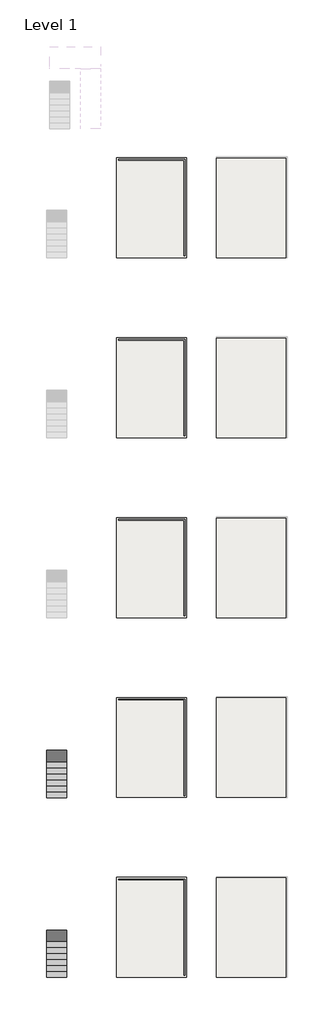
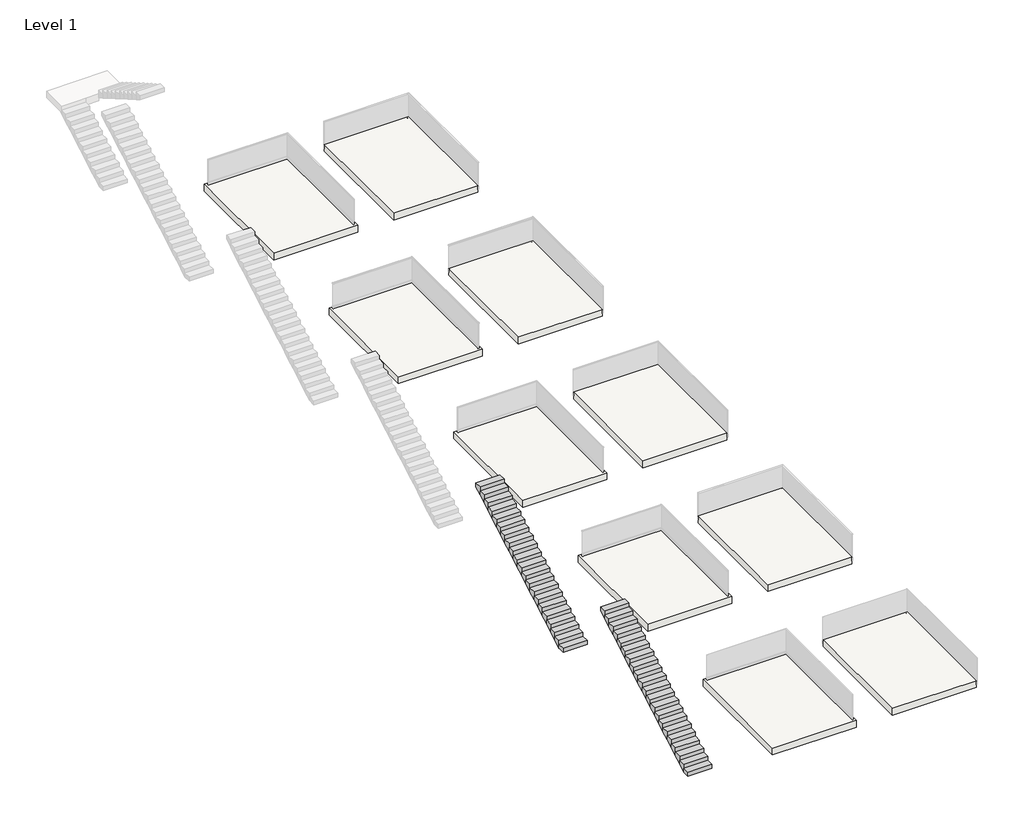
# One storey, part 1 of 11: 10 slabs, 2 stair flights.
"""IFC4 building model written with IfcOpenShell, lengths in millimetres."""

import ifcopenshell
import ifcopenshell.guid

model = None  # the IFC model being written
_history = None  # IfcOwnerHistory: only IFC2X3 demands one
_inside = {}  # id of a spatial element -> (the spatial element, [elements in it])
_under = {}  # id of a project, library or spatial element -> (it, [spatial elements below it])
_declared = {}  # id of a project -> (the project, [libraries it declares])
_typed = {}  # id of a type object -> (the type object, [elements of that type])
_made_of = {}  # id of a material, layer set ... -> (it, [elements and type objects made of it])


def new_model(schema):
    """Start an empty IFC model of exactly this schema.

    Asked for "IFC4X3", IfcOpenShell would pick the latest addendum, in which some entities
    have other attributes; the version numbers below select the first issue.
    IFC2X3 requires an IfcOwnerHistory on every rooted entity: one is made here for all.
    """
    global model, _history
    if schema == "IFC4X3":
        model = ifcopenshell.file(schema_version=(4, 3, 0, 0))
    else:
        model = ifcopenshell.file(schema=schema)
    _inside.clear()
    _under.clear()
    _declared.clear()
    _typed.clear()
    _made_of.clear()
    _history = None
    if model.schema == "IFC2X3":
        org = make("IfcOrganization", Name="unknown")
        user = make(
            "IfcPersonAndOrganization",
            ThePerson=make("IfcPerson", FamilyName="unknown"),
            TheOrganization=org,
        )
        app = make(
            "IfcApplication",
            ApplicationDeveloper=org,
            Version="unknown",
            ApplicationFullName="unknown",
            ApplicationIdentifier="unknown",
        )
        _history = make(
            "IfcOwnerHistory",
            OwningUser=user,
            OwningApplication=app,
            ChangeAction="ADDED",
            CreationDate=0,
        )
    return model


def make(cls, **values):
    """One entity of the class cls with the attributes given. An attribute that is None is left unset."""
    return model.create_entity(
        cls, **{name: value for name, value in values.items() if value is not None}
    )


def rooted(cls, **values):
    """An entity with a GlobalId (a new one), such as an element, a storey or a relation."""
    return make(cls, GlobalId=ifcopenshell.guid.new(), OwnerHistory=_history, **values)


def si_unit(unit_type, name, prefix=None):
    """IfcSIUnit, for example si_unit("LENGTHUNIT", "METRE", prefix="MILLI")."""
    return make("IfcSIUnit", UnitType=unit_type, Prefix=prefix, Name=name)


def assignment(units):
    """IfcUnitAssignment: the units of a project."""
    return None if units is None else make("IfcUnitAssignment", Units=units)


def point(xyz):
    """IfcCartesianPoint."""
    return None if xyz is None else make("IfcCartesianPoint", Coordinates=xyz)


def direction(xyz):
    """IfcDirection."""
    return None if xyz is None else make("IfcDirection", DirectionRatios=xyz)


def frame(location, z_axis=None, x_axis=None):
    """IfcAxis2Placement3D, a coordinate frame: its origin and axes. An axis left out is left unset."""
    return make(
        "IfcAxis2Placement3D",
        Location=point(location),
        Axis=direction(z_axis),
        RefDirection=direction(x_axis),
    )


def origin():
    """The frame at (0, 0, 0) with its axes left unset."""
    return frame((0.0, 0.0, 0.0))


def place(relative_to, where):
    """IfcLocalPlacement: puts the frame where relative to a parent placement (None: the world)."""
    return make(
        "IfcLocalPlacement", PlacementRelTo=relative_to, RelativePlacement=where
    )


def context(
    kind, dimensions, precision=None, world=None, true_north=None, identifier=None
):
    """IfcGeometricRepresentationContext, for example the 3D "Model" context."""
    return make(
        "IfcGeometricRepresentationContext",
        ContextIdentifier=identifier,
        ContextType=kind,
        CoordinateSpaceDimension=dimensions,
        Precision=precision,
        WorldCoordinateSystem=world,
        TrueNorth=true_north,
    )


def project(units=None, contexts=None):
    """IfcProject with its units and contexts."""
    return rooted(
        "IfcProject",
        Name="project",
        RepresentationContexts=contexts,
        UnitsInContext=assignment(units),
    )


def spatial(cls, under=None, at=None, **own):
    """A site, building, storey or space (cls), placed at a placement, below another one or the project."""
    s = rooted(cls, ObjectPlacement=at, **own)
    if under is not None:
        _under.setdefault(under.id(), (under, []))[1].append(s)
    return s


def polyline(points):
    """IfcPolyline through the points."""
    return make("IfcPolyline", Points=[point(p) for p in points])


def outline(outer, holes=None, kind="AREA"):
    """IfcArbitraryClosedProfileDef: a profile drawn as a closed curve; with holes, ...WithVoids."""
    if holes is None:
        return make("IfcArbitraryClosedProfileDef", ProfileType=kind, OuterCurve=outer)
    return make(
        "IfcArbitraryProfileDefWithVoids",
        ProfileType=kind,
        OuterCurve=outer,
        InnerCurves=holes,
    )


def extrude(swept, where, along, depth):
    """IfcExtrudedAreaSolid: the profile swept, set in the frame where, extruded along a direction by depth."""
    return make(
        "IfcExtrudedAreaSolid",
        SweptArea=swept,
        Position=where,
        ExtrudedDirection=direction(along),
        Depth=depth,
    )


def faces_of(points, faces, orient=None, outer=None):
    """IfcFace entities. A face is a list of loops; a loop is a list of indices into points, from 0.

    orient and outer hold one flag for each loop. By default every Orientation is true, the
    first loop of a face is its IfcFaceOuterBound and the others are IfcFaceBound.
    """
    made = []
    for i, loops in enumerate(faces):
        bounds = []
        for j, loop in enumerate(loops):
            is_outer = j == 0 if outer is None else outer[i][j]
            bounds.append(
                make(
                    "IfcFaceOuterBound" if is_outer else "IfcFaceBound",
                    Bound=make("IfcPolyLoop", Polygon=[points[k] for k in loop]),
                    Orientation=True if orient is None else orient[i][j],
                )
            )
        made.append(make("IfcFace", Bounds=bounds))
    return made


def faceted_brep(points, faces, orient=None, outer=None, voids=None):
    """IfcFacetedBrep: a solid bounded by flat faces; with voids (closed shells), ...WithVoids."""
    shared = [point(p) for p in points]
    hull = make("IfcClosedShell", CfsFaces=faces_of(shared, faces, orient, outer))
    if voids is None:
        return make("IfcFacetedBrep", Outer=hull)
    return make(
        "IfcFacetedBrepWithVoids",
        Outer=hull,
        Voids=[
            make(cls, CfsFaces=faces_of(shared, fs, o, b)) for cls, fs, o, b in voids
        ],
    )


def shape(context_of_items, identifier, shape_type, items):
    """IfcShapeRepresentation: the items that make up one representation, for example the "Body"."""
    return make(
        "IfcShapeRepresentation",
        ContextOfItems=context_of_items,
        RepresentationIdentifier=identifier,
        RepresentationType=shape_type,
        Items=items,
    )


def made_of(thing, what):
    """Note that an element or type object is made of a material, layer set ...; save() writes the relation."""
    if what is not None:
        _made_of.setdefault(what.id(), (what, []))[1].append(thing)
    return thing


def element(
    cls,
    number,
    at=None,
    inside=None,
    cuts=None,
    type_object=None,
    material=None,
    context=None,
    identifier="Body",
    shape_type=None,
    held_by="IfcProductDefinitionShape",
    body=None,
    shapes=None,
    **own,
):
    """One element of the class cls, such as IfcWall. Its Tag is "e" and its number.

    at: its placement. inside: the storey or other place that contains it. cuts: it is an
    opening in that element (IfcRelVoidsElement). A single representation is given by context,
    identifier, shape_type and body (its items); several are given by shapes. held_by: the class
    of the entity that holds the representations. save() writes the other relations.
    """
    e = rooted(cls, Tag="e%d" % number, ObjectPlacement=at, **own)
    if body is not None:
        shapes = [shape(context, identifier, shape_type, body)]
    if shapes is not None:
        e.Representation = make(held_by, Representations=shapes)
    if inside is not None:
        _inside.setdefault(inside.id(), (inside, []))[1].append(e)
    if cuts is not None:
        rooted(
            "IfcRelVoidsElement", RelatingBuildingElement=cuts, RelatedOpeningElement=e
        )
    if type_object is not None:
        _typed.setdefault(type_object.id(), (type_object, []))[1].append(e)
    return made_of(e, material)


def aggregate(whole, parts):
    """IfcRelAggregates: a whole, such as a stair, and the parts it consists of."""
    return rooted("IfcRelAggregates", RelatingObject=whole, RelatedObjects=parts)


def save(model, path):
    """Write the relations noted so far, then the file.

    IfcRelAggregates (storeys below a building ...), IfcRelContainedInSpatialStructure (elements
    in a storey), IfcRelDefinesByType, IfcRelAssociatesMaterial and IfcRelDeclares: one each for
    every whole, place, type object, material and project.
    """
    for whole, parts in _under.values():
        aggregate(whole, parts)
    for where, things in _inside.values():
        rooted(
            "IfcRelContainedInSpatialStructure",
            RelatedElements=things,
            RelatingStructure=where,
        )
    for kind, things in _typed.values():
        rooted("IfcRelDefinesByType", RelatedObjects=things, RelatingType=kind)
    for what, things in _made_of.values():
        rooted("IfcRelAssociatesMaterial", RelatedObjects=things, RelatingMaterial=what)
    for by, libraries in _declared.values():
        rooted("IfcRelDeclares", RelatingContext=by, RelatedDefinitions=libraries)
    model.write(path)


model = new_model("IFC4")

# Units and contexts
model_context = context("Model", 3, world=origin())
ifc_project = project(units=[si_unit("LENGTHUNIT", "METRE", prefix="MILLI")], contexts=[model_context])

# Site, building, storey
site = spatial("IfcSite", under=ifc_project)
building = spatial("IfcBuilding", under=site)
storey = spatial("IfcBuildingStorey", under=building, Name="Level 1", Elevation=0.0)

# Slabs
placement = place(None, origin())
element("IfcSlab", 1, ObjectType="Generico 300 mm", at=placement, inside=storey, context=model_context, shape_type="SweptSolid", body=[
    extrude(outline(polyline([(-13667.5524845, -26863.3362173), (-10167.5524845, -26863.3362173), (-10167.5524845, -31863.3362173), (-13667.5524845, -31863.3362173), (-13667.5524845, -26863.3362173)])), frame((0.0, 0.0, -300.0), z_axis=(0.0, 0.0, 1.0), x_axis=(1.0, 0.0, 0.0)), (0.0, 0.0, 1.0), 300.0),
])
element("IfcSlab", 2, ObjectType="Generico 300 mm", at=placement, inside=storey, context=model_context, shape_type="SweptSolid", body=[
    extrude(outline(polyline([(-8667.5524845, -26863.3362173), (-5167.5524845, -26863.3362173), (-5167.5524845, -31863.3362173), (-8667.5524845, -31863.3362173), (-8667.5524845, -26863.3362173)])), frame((0.0, 0.0, -300.0), z_axis=(0.0, 0.0, 1.0), x_axis=(1.0, 0.0, 0.0)), (0.0, 0.0, 1.0), 300.0),
])
element("IfcSlab", 3, ObjectType="Generico 300 mm", at=placement, inside=storey, context=model_context, shape_type="SweptSolid", body=[
    extrude(outline(polyline([(-13667.5524845, -35863.3362173), (-10167.5524845, -35863.3362173), (-10167.5524845, -40863.3362173), (-13667.5524845, -40863.3362173), (-13667.5524845, -35863.3362173)])), frame((0.0, 0.0, -300.0), z_axis=(0.0, 0.0, 1.0), x_axis=(1.0, 0.0, 0.0)), (0.0, 0.0, 1.0), 300.0),
])
element("IfcSlab", 4, ObjectType="Generico 300 mm", at=placement, inside=storey, context=model_context, shape_type="SweptSolid", body=[
    extrude(outline(polyline([(-13667.5524845, -44863.3362173), (-10167.5524845, -44863.3362173), (-10167.5524845, -49863.3362173), (-13667.5524845, -49863.3362173), (-13667.5524845, -44863.3362173)])), frame((0.0, 0.0, -300.0), z_axis=(0.0, 0.0, 1.0), x_axis=(1.0, 0.0, 0.0)), (0.0, 0.0, 1.0), 300.0),
])
element("IfcSlab", 5, ObjectType="Generico 300 mm", at=placement, inside=storey, context=model_context, shape_type="SweptSolid", body=[
    extrude(outline(polyline([(-13667.5524845, -53863.3362173), (-10167.5524845, -53863.3362173), (-10167.5524845, -58863.3362173), (-13667.5524845, -58863.3362173), (-13667.5524845, -53863.3362173)])), frame((0.0, 0.0, -300.0), z_axis=(0.0, 0.0, 1.0), x_axis=(1.0, 0.0, 0.0)), (0.0, 0.0, 1.0), 300.0),
])
element("IfcSlab", 6, ObjectType="Generico 300 mm", at=placement, inside=storey, context=model_context, shape_type="SweptSolid", body=[
    extrude(outline(polyline([(-13667.5524845, -62863.3362173), (-10167.5524845, -62863.3362173), (-10167.5524845, -67863.3362173), (-13667.5524845, -67863.3362173), (-13667.5524845, -62863.3362173)])), frame((0.0, 0.0, -300.0), z_axis=(0.0, 0.0, 1.0), x_axis=(1.0, 0.0, 0.0)), (0.0, 0.0, 1.0), 300.0),
])
element("IfcSlab", 7, ObjectType="Generico 300 mm", at=placement, inside=storey, context=model_context, shape_type="SweptSolid", body=[
    extrude(outline(polyline([(-8667.5524845, -35863.3362173), (-5167.5524845, -35863.3362173), (-5167.5524845, -40863.3362173), (-8667.5524845, -40863.3362173), (-8667.5524845, -35863.3362173)])), frame((0.0, 0.0, -300.0), z_axis=(0.0, 0.0, 1.0), x_axis=(1.0, 0.0, 0.0)), (0.0, 0.0, 1.0), 300.0),
])
element("IfcSlab", 8, ObjectType="Generico 300 mm", at=placement, inside=storey, context=model_context, shape_type="SweptSolid", body=[
    extrude(outline(polyline([(-8667.5524845, -44863.3362173), (-5167.5524845, -44863.3362173), (-5167.5524845, -49863.3362173), (-8667.5524845, -49863.3362173), (-8667.5524845, -44863.3362173)])), frame((0.0, 0.0, -300.0), z_axis=(0.0, 0.0, 1.0), x_axis=(1.0, 0.0, 0.0)), (0.0, 0.0, 1.0), 300.0),
])
element("IfcSlab", 9, ObjectType="Generico 300 mm", at=placement, inside=storey, context=model_context, shape_type="SweptSolid", body=[
    extrude(outline(polyline([(-8667.5524845, -53863.3362173), (-5167.5524845, -53863.3362173), (-5167.5524845, -58863.3362173), (-8667.5524845, -58863.3362173), (-8667.5524845, -53863.3362173)])), frame((0.0, 0.0, -300.0), z_axis=(0.0, 0.0, 1.0), x_axis=(1.0, 0.0, 0.0)), (0.0, 0.0, 1.0), 300.0),
])
element("IfcSlab", 10, ObjectType="Generico 300 mm", at=placement, inside=storey, context=model_context, shape_type="SweptSolid", body=[
    extrude(outline(polyline([(-8667.5524845, -62863.3362173), (-5167.5524845, -62863.3362173), (-5167.5524845, -67863.3362173), (-8667.5524845, -67863.3362173), (-8667.5524845, -62863.3362173)])), frame((0.0, 0.0, -300.0), z_axis=(0.0, 0.0, 1.0), x_axis=(1.0, 0.0, 0.0)), (0.0, 0.0, 1.0), 300.0),
])

# Stair flights
element("IfcStairFlight", 11, at=placement, inside=storey, context=model_context, shape_type="Brep", body=[
    faceted_brep([(-17189.3694741, -58563.9305034, 173.9130435), (-17189.3694741, -58863.9305034, 173.9130435), (-16189.3694741, -58863.9305034, 173.9130435), (-16189.3694741, -58563.9305034, 173.9130435), (-17189.3694741, -58563.9305034, 0.530701), (-17189.3694741, -58564.8459626, 0.0), (-17189.3694741, -58863.9305034, 0.0), (-16189.3694741, -58863.9305034, 0.0), (-16189.3694741, -58564.8459626, 0.0), (-16189.3694741, -58563.9305034, 0.530701), (-17189.3694741, -58263.9305034, 347.826087), (-17189.3694741, -58563.9305034, 347.826087), (-16189.3694741, -58563.9305034, 347.826087), (-16189.3694741, -58263.9305034, 347.826087), (-17189.3694741, -58263.9305034, 174.4437445), (-16189.3694741, -58263.9305034, 174.4437445), (-17189.3694741, -57963.9305034, 521.7391304), (-17189.3694741, -58263.9305034, 521.7391304), (-16189.3694741, -58263.9305034, 521.7391304), (-16189.3694741, -57963.9305034, 521.7391304), (-17189.3694741, -57963.9305034, 348.356788), (-16189.3694741, -57963.9305034, 348.356788), (-17189.3694741, -57663.9305034, 695.6521739), (-17189.3694741, -57963.9305034, 695.6521739), (-16189.3694741, -57963.9305034, 695.6521739), (-16189.3694741, -57663.9305034, 695.6521739), (-17189.3694741, -57663.9305034, 522.2698315), (-16189.3694741, -57663.9305034, 522.2698315), (-17189.3694741, -57363.9305034, 869.5652174), (-17189.3694741, -57663.9305034, 869.5652174), (-16189.3694741, -57663.9305034, 869.5652174), (-16189.3694741, -57363.9305034, 869.5652174), (-17189.3694741, -57363.9305034, 696.1828749), (-16189.3694741, -57363.9305034, 696.1828749), (-17189.3694741, -57063.9305034, 1043.4782609), (-17189.3694741, -57363.9305034, 1043.4782609), (-16189.3694741, -57363.9305034, 1043.4782609), (-16189.3694741, -57063.9305034, 1043.4782609), (-17189.3694741, -57063.9305034, 870.0959184), (-16189.3694741, -57063.9305034, 870.0959184), (-17189.3694741, -56763.9305034, 1217.3913043), (-17189.3694741, -57063.9305034, 1217.3913043), (-16189.3694741, -57063.9305034, 1217.3913043), (-16189.3694741, -56763.9305034, 1217.3913043), (-17189.3694741, -56763.9305034, 1044.0089619), (-16189.3694741, -56763.9305034, 1044.0089619), (-17189.3694741, -56463.9305034, 1391.3043478), (-17189.3694741, -56763.9305034, 1391.3043478), (-16189.3694741, -56763.9305034, 1391.3043478), (-16189.3694741, -56463.9305034, 1391.3043478), (-17189.3694741, -56463.9305034, 1217.9220054), (-16189.3694741, -56463.9305034, 1217.9220054), (-17189.3694741, -56163.9305034, 1565.2173913), (-17189.3694741, -56463.9305034, 1565.2173913), (-16189.3694741, -56463.9305034, 1565.2173913), (-16189.3694741, -56163.9305034, 1565.2173913), (-17189.3694741, -56163.9305034, 1391.8350489), (-16189.3694741, -56163.9305034, 1391.8350489), (-17189.3694741, -55863.9305034, 1739.1304348), (-17189.3694741, -56163.9305034, 1739.1304348), (-16189.3694741, -56163.9305034, 1739.1304348), (-16189.3694741, -55863.9305034, 1739.1304348), (-17189.3694741, -55863.9305034, 1565.7480923), (-16189.3694741, -55863.9305034, 1565.7480923), (-17189.3694741, -55563.9305034, 1913.0434783), (-17189.3694741, -55863.9305034, 1913.0434783), (-16189.3694741, -55863.9305034, 1913.0434783), (-16189.3694741, -55563.9305034, 1913.0434783), (-17189.3694741, -55563.9305034, 1739.6611358), (-16189.3694741, -55563.9305034, 1739.6611358), (-17189.3694741, -55263.9305034, 2086.9565217), (-17189.3694741, -55563.9305034, 2086.9565217), (-16189.3694741, -55563.9305034, 2086.9565217), (-16189.3694741, -55263.9305034, 2086.9565217), (-17189.3694741, -55263.9305034, 1913.5741793), (-16189.3694741, -55263.9305034, 1913.5741793), (-17189.3694741, -54963.9305034, 2260.8695652), (-17189.3694741, -55263.9305034, 2260.8695652), (-16189.3694741, -55263.9305034, 2260.8695652), (-16189.3694741, -54963.9305034, 2260.8695652), (-17189.3694741, -54963.9305034, 2087.4872228), (-16189.3694741, -54963.9305034, 2087.4872228), (-17189.3694741, -54663.9305034, 2434.7826087), (-17189.3694741, -54963.9305034, 2434.7826087), (-16189.3694741, -54963.9305034, 2434.7826087), (-16189.3694741, -54663.9305034, 2434.7826087), (-17189.3694741, -54663.9305034, 2261.4002662), (-16189.3694741, -54663.9305034, 2261.4002662), (-17189.3694741, -54363.9305034, 2608.6956522), (-17189.3694741, -54663.9305034, 2608.6956522), (-16189.3694741, -54663.9305034, 2608.6956522), (-16189.3694741, -54363.9305034, 2608.6956522), (-17189.3694741, -54363.9305034, 2435.3133097), (-16189.3694741, -54363.9305034, 2435.3133097), (-17189.3694741, -54063.9305034, 2782.6086957), (-17189.3694741, -54363.9305034, 2782.6086957), (-16189.3694741, -54363.9305034, 2782.6086957), (-16189.3694741, -54063.9305034, 2782.6086957), (-17189.3694741, -54063.9305034, 2609.2263532), (-16189.3694741, -54063.9305034, 2609.2263532), (-17189.3694741, -53763.9305034, 2956.5217391), (-17189.3694741, -54063.9305034, 2956.5217391), (-16189.3694741, -54063.9305034, 2956.5217391), (-16189.3694741, -53763.9305034, 2956.5217391), (-17189.3694741, -53763.9305034, 2783.1393967), (-16189.3694741, -53763.9305034, 2783.1393967), (-17189.3694741, -53463.9305034, 3130.4347826), (-17189.3694741, -53763.9305034, 3130.4347826), (-16189.3694741, -53763.9305034, 3130.4347826), (-16189.3694741, -53463.9305034, 3130.4347826), (-17189.3694741, -53463.9305034, 2957.0524402), (-16189.3694741, -53463.9305034, 2957.0524402), (-17189.3694741, -53163.9305034, 3304.3478261), (-17189.3694741, -53463.9305034, 3304.3478261), (-16189.3694741, -53463.9305034, 3304.3478261), (-16189.3694741, -53163.9305034, 3304.3478261), (-17189.3694741, -53163.9305034, 3130.9654836), (-16189.3694741, -53163.9305034, 3130.9654836), (-17189.3694741, -52863.9305034, 3478.2608696), (-17189.3694741, -53163.9305034, 3478.2608696), (-16189.3694741, -53163.9305034, 3478.2608696), (-16189.3694741, -52863.9305034, 3478.2608696), (-17189.3694741, -52863.9305034, 3304.8785271), (-16189.3694741, -52863.9305034, 3304.8785271), (-17189.3694741, -52563.9305034, 3652.173913), (-17189.3694741, -52863.9305034, 3652.173913), (-16189.3694741, -52863.9305034, 3652.173913), (-16189.3694741, -52563.9305034, 3652.173913), (-17189.3694741, -52563.9305034, 3478.7915706), (-16189.3694741, -52563.9305034, 3478.7915706)], [[[0, 1, 2, 3]], [[1, 0, 4, 5, 6]], [[2, 1, 6, 7]], [[3, 2, 7, 8, 9]], [[10, 11, 12, 13]], [[11, 10, 14, 4, 0]], [[0, 3, 12, 11]], [[13, 12, 3, 9, 15]], [[16, 17, 18, 19]], [[17, 16, 20, 14, 10]], [[10, 13, 18, 17]], [[19, 18, 13, 15, 21]], [[22, 23, 24, 25]], [[23, 22, 26, 20, 16]], [[16, 19, 24, 23]], [[25, 24, 19, 21, 27]], [[28, 29, 30, 31]], [[29, 28, 32, 26, 22]], [[22, 25, 30, 29]], [[31, 30, 25, 27, 33]], [[34, 35, 36, 37]], [[35, 34, 38, 32, 28]], [[28, 31, 36, 35]], [[37, 36, 31, 33, 39]], [[40, 41, 42, 43]], [[41, 40, 44, 38, 34]], [[34, 37, 42, 41]], [[43, 42, 37, 39, 45]], [[46, 47, 48, 49]], [[47, 46, 50, 44, 40]], [[40, 43, 48, 47]], [[49, 48, 43, 45, 51]], [[52, 53, 54, 55]], [[53, 52, 56, 50, 46]], [[46, 49, 54, 53]], [[55, 54, 49, 51, 57]], [[58, 59, 60, 61]], [[59, 58, 62, 56, 52]], [[52, 55, 60, 59]], [[61, 60, 55, 57, 63]], [[64, 65, 66, 67]], [[65, 64, 68, 62, 58]], [[58, 61, 66, 65]], [[67, 66, 61, 63, 69]], [[70, 71, 72, 73]], [[71, 70, 74, 68, 64]], [[64, 67, 72, 71]], [[73, 72, 67, 69, 75]], [[76, 77, 78, 79]], [[77, 76, 80, 74, 70]], [[70, 73, 78, 77]], [[79, 78, 73, 75, 81]], [[82, 83, 84, 85]], [[83, 82, 86, 80, 76]], [[76, 79, 84, 83]], [[85, 84, 79, 81, 87]], [[88, 89, 90, 91]], [[89, 88, 92, 86, 82]], [[82, 85, 90, 89]], [[91, 90, 85, 87, 93]], [[94, 95, 96, 97]], [[95, 94, 98, 92, 88]], [[88, 91, 96, 95]], [[97, 96, 91, 93, 99]], [[100, 101, 102, 103]], [[101, 100, 104, 98, 94]], [[94, 97, 102, 101]], [[103, 102, 97, 99, 105]], [[106, 107, 108, 109]], [[107, 106, 110, 104, 100]], [[100, 103, 108, 107]], [[109, 108, 103, 105, 111]], [[112, 113, 114, 115]], [[113, 112, 116, 110, 106]], [[106, 109, 114, 113]], [[115, 114, 109, 111, 117]], [[118, 119, 120, 121]], [[119, 118, 122, 116, 112]], [[112, 115, 120, 119]], [[121, 120, 115, 117, 123]], [[124, 125, 126, 127]], [[125, 124, 128, 122, 118]], [[118, 121, 126, 125]], [[127, 126, 121, 123, 129]], [[124, 127, 129, 128]], [[7, 6, 5, 8]], [[8, 5, 4, 14, 20, 26, 32, 38, 44, 50, 56, 62, 68, 74, 80, 86, 92, 98, 104, 110, 116, 122, 128, 129, 123, 117, 111, 105, 99, 93, 87, 81, 75, 69, 63, 57, 51, 45, 39, 33, 27, 21, 15, 9]]]),
])
element("IfcStairFlight", 12, at=placement, inside=storey, context=model_context, shape_type="Brep", body=[
    faceted_brep([(-17189.3694741, -67563.9305034, 173.9130435), (-17189.3694741, -67863.9305034, 173.9130435), (-16189.3694741, -67863.9305034, 173.9130435), (-16189.3694741, -67563.9305034, 173.9130435), (-17189.3694741, -67563.9305034, 0.530701), (-17189.3694741, -67564.8459626, 0.0), (-17189.3694741, -67863.9305034, 0.0), (-16189.3694741, -67863.9305034, 0.0), (-16189.3694741, -67564.8459626, 0.0), (-16189.3694741, -67563.9305034, 0.530701), (-17189.3694741, -67263.9305034, 347.826087), (-17189.3694741, -67563.9305034, 347.826087), (-16189.3694741, -67563.9305034, 347.826087), (-16189.3694741, -67263.9305034, 347.826087), (-17189.3694741, -67263.9305034, 174.4437445), (-16189.3694741, -67263.9305034, 174.4437445), (-17189.3694741, -66963.9305034, 521.7391304), (-17189.3694741, -67263.9305034, 521.7391304), (-16189.3694741, -67263.9305034, 521.7391304), (-16189.3694741, -66963.9305034, 521.7391304), (-17189.3694741, -66963.9305034, 348.356788), (-16189.3694741, -66963.9305034, 348.356788), (-17189.3694741, -66663.9305034, 695.6521739), (-17189.3694741, -66963.9305034, 695.6521739), (-16189.3694741, -66963.9305034, 695.6521739), (-16189.3694741, -66663.9305034, 695.6521739), (-17189.3694741, -66663.9305034, 522.2698315), (-16189.3694741, -66663.9305034, 522.2698315), (-17189.3694741, -66363.9305034, 869.5652174), (-17189.3694741, -66663.9305034, 869.5652174), (-16189.3694741, -66663.9305034, 869.5652174), (-16189.3694741, -66363.9305034, 869.5652174), (-17189.3694741, -66363.9305034, 696.1828749), (-16189.3694741, -66363.9305034, 696.1828749), (-17189.3694741, -66063.9305034, 1043.4782609), (-17189.3694741, -66363.9305034, 1043.4782609), (-16189.3694741, -66363.9305034, 1043.4782609), (-16189.3694741, -66063.9305034, 1043.4782609), (-17189.3694741, -66063.9305034, 870.0959184), (-16189.3694741, -66063.9305034, 870.0959184), (-17189.3694741, -65763.9305034, 1217.3913043), (-17189.3694741, -66063.9305034, 1217.3913043), (-16189.3694741, -66063.9305034, 1217.3913043), (-16189.3694741, -65763.9305034, 1217.3913043), (-17189.3694741, -65763.9305034, 1044.0089619), (-16189.3694741, -65763.9305034, 1044.0089619), (-17189.3694741, -65463.9305034, 1391.3043478), (-17189.3694741, -65763.9305034, 1391.3043478), (-16189.3694741, -65763.9305034, 1391.3043478), (-16189.3694741, -65463.9305034, 1391.3043478), (-17189.3694741, -65463.9305034, 1217.9220054), (-16189.3694741, -65463.9305034, 1217.9220054), (-17189.3694741, -65163.9305034, 1565.2173913), (-17189.3694741, -65463.9305034, 1565.2173913), (-16189.3694741, -65463.9305034, 1565.2173913), (-16189.3694741, -65163.9305034, 1565.2173913), (-17189.3694741, -65163.9305034, 1391.8350489), (-16189.3694741, -65163.9305034, 1391.8350489), (-17189.3694741, -64863.9305034, 1739.1304348), (-17189.3694741, -65163.9305034, 1739.1304348), (-16189.3694741, -65163.9305034, 1739.1304348), (-16189.3694741, -64863.9305034, 1739.1304348), (-17189.3694741, -64863.9305034, 1565.7480923), (-16189.3694741, -64863.9305034, 1565.7480923), (-17189.3694741, -64563.9305034, 1913.0434783), (-17189.3694741, -64863.9305034, 1913.0434783), (-16189.3694741, -64863.9305034, 1913.0434783), (-16189.3694741, -64563.9305034, 1913.0434783), (-17189.3694741, -64563.9305034, 1739.6611358), (-16189.3694741, -64563.9305034, 1739.6611358), (-17189.3694741, -64263.9305034, 2086.9565217), (-17189.3694741, -64563.9305034, 2086.9565217), (-16189.3694741, -64563.9305034, 2086.9565217), (-16189.3694741, -64263.9305034, 2086.9565217), (-17189.3694741, -64263.9305034, 1913.5741793), (-16189.3694741, -64263.9305034, 1913.5741793), (-17189.3694741, -63963.9305034, 2260.8695652), (-17189.3694741, -64263.9305034, 2260.8695652), (-16189.3694741, -64263.9305034, 2260.8695652), (-16189.3694741, -63963.9305034, 2260.8695652), (-17189.3694741, -63963.9305034, 2087.4872228), (-16189.3694741, -63963.9305034, 2087.4872228), (-17189.3694741, -63663.9305034, 2434.7826087), (-17189.3694741, -63963.9305034, 2434.7826087), (-16189.3694741, -63963.9305034, 2434.7826087), (-16189.3694741, -63663.9305034, 2434.7826087), (-17189.3694741, -63663.9305034, 2261.4002662), (-16189.3694741, -63663.9305034, 2261.4002662), (-17189.3694741, -63363.9305034, 2608.6956522), (-17189.3694741, -63663.9305034, 2608.6956522), (-16189.3694741, -63663.9305034, 2608.6956522), (-16189.3694741, -63363.9305034, 2608.6956522), (-17189.3694741, -63363.9305034, 2435.3133097), (-16189.3694741, -63363.9305034, 2435.3133097), (-17189.3694741, -63063.9305034, 2782.6086957), (-17189.3694741, -63363.9305034, 2782.6086957), (-16189.3694741, -63363.9305034, 2782.6086957), (-16189.3694741, -63063.9305034, 2782.6086957), (-17189.3694741, -63063.9305034, 2609.2263532), (-16189.3694741, -63063.9305034, 2609.2263532), (-17189.3694741, -62763.9305034, 2956.5217391), (-17189.3694741, -63063.9305034, 2956.5217391), (-16189.3694741, -63063.9305034, 2956.5217391), (-16189.3694741, -62763.9305034, 2956.5217391), (-17189.3694741, -62763.9305034, 2783.1393967), (-16189.3694741, -62763.9305034, 2783.1393967), (-17189.3694741, -62463.9305034, 3130.4347826), (-17189.3694741, -62763.9305034, 3130.4347826), (-16189.3694741, -62763.9305034, 3130.4347826), (-16189.3694741, -62463.9305034, 3130.4347826), (-17189.3694741, -62463.9305034, 2957.0524402), (-16189.3694741, -62463.9305034, 2957.0524402), (-17189.3694741, -62163.9305034, 3304.3478261), (-17189.3694741, -62463.9305034, 3304.3478261), (-16189.3694741, -62463.9305034, 3304.3478261), (-16189.3694741, -62163.9305034, 3304.3478261), (-17189.3694741, -62163.9305034, 3130.9654836), (-16189.3694741, -62163.9305034, 3130.9654836), (-17189.3694741, -61863.9305034, 3478.2608696), (-17189.3694741, -62163.9305034, 3478.2608696), (-16189.3694741, -62163.9305034, 3478.2608696), (-16189.3694741, -61863.9305034, 3478.2608696), (-17189.3694741, -61863.9305034, 3304.8785271), (-16189.3694741, -61863.9305034, 3304.8785271), (-17189.3694741, -61563.9305034, 3652.173913), (-17189.3694741, -61863.9305034, 3652.173913), (-16189.3694741, -61863.9305034, 3652.173913), (-16189.3694741, -61563.9305034, 3652.173913), (-17189.3694741, -61563.9305034, 3478.7915706), (-16189.3694741, -61563.9305034, 3478.7915706)], [[[0, 1, 2, 3]], [[1, 0, 4, 5, 6]], [[2, 1, 6, 7]], [[3, 2, 7, 8, 9]], [[10, 11, 12, 13]], [[11, 10, 14, 4, 0]], [[0, 3, 12, 11]], [[13, 12, 3, 9, 15]], [[16, 17, 18, 19]], [[17, 16, 20, 14, 10]], [[10, 13, 18, 17]], [[19, 18, 13, 15, 21]], [[22, 23, 24, 25]], [[23, 22, 26, 20, 16]], [[16, 19, 24, 23]], [[25, 24, 19, 21, 27]], [[28, 29, 30, 31]], [[29, 28, 32, 26, 22]], [[22, 25, 30, 29]], [[31, 30, 25, 27, 33]], [[34, 35, 36, 37]], [[35, 34, 38, 32, 28]], [[28, 31, 36, 35]], [[37, 36, 31, 33, 39]], [[40, 41, 42, 43]], [[41, 40, 44, 38, 34]], [[34, 37, 42, 41]], [[43, 42, 37, 39, 45]], [[46, 47, 48, 49]], [[47, 46, 50, 44, 40]], [[40, 43, 48, 47]], [[49, 48, 43, 45, 51]], [[52, 53, 54, 55]], [[53, 52, 56, 50, 46]], [[46, 49, 54, 53]], [[55, 54, 49, 51, 57]], [[58, 59, 60, 61]], [[59, 58, 62, 56, 52]], [[52, 55, 60, 59]], [[61, 60, 55, 57, 63]], [[64, 65, 66, 67]], [[65, 64, 68, 62, 58]], [[58, 61, 66, 65]], [[67, 66, 61, 63, 69]], [[70, 71, 72, 73]], [[71, 70, 74, 68, 64]], [[64, 67, 72, 71]], [[73, 72, 67, 69, 75]], [[76, 77, 78, 79]], [[77, 76, 80, 74, 70]], [[70, 73, 78, 77]], [[79, 78, 73, 75, 81]], [[82, 83, 84, 85]], [[83, 82, 86, 80, 76]], [[76, 79, 84, 83]], [[85, 84, 79, 81, 87]], [[88, 89, 90, 91]], [[89, 88, 92, 86, 82]], [[82, 85, 90, 89]], [[91, 90, 85, 87, 93]], [[94, 95, 96, 97]], [[95, 94, 98, 92, 88]], [[88, 91, 96, 95]], [[97, 96, 91, 93, 99]], [[100, 101, 102, 103]], [[101, 100, 104, 98, 94]], [[94, 97, 102, 101]], [[103, 102, 97, 99, 105]], [[106, 107, 108, 109]], [[107, 106, 110, 104, 100]], [[100, 103, 108, 107]], [[109, 108, 103, 105, 111]], [[112, 113, 114, 115]], [[113, 112, 116, 110, 106]], [[106, 109, 114, 113]], [[115, 114, 109, 111, 117]], [[118, 119, 120, 121]], [[119, 118, 122, 116, 112]], [[112, 115, 120, 119]], [[121, 120, 115, 117, 123]], [[124, 125, 126, 127]], [[125, 124, 128, 122, 118]], [[118, 121, 126, 125]], [[127, 126, 121, 123, 129]], [[124, 127, 129, 128]], [[7, 6, 5, 8]], [[8, 5, 4, 14, 20, 26, 32, 38, 44, 50, 56, 62, 68, 74, 80, 86, 92, 98, 104, 110, 116, 122, 128, 129, 123, 117, 111, 105, 99, 93, 87, 81, 75, 69, 63, 57, 51, 45, 39, 33, 27, 21, 15, 9]]]),
])

save(model, "model.ifc")
